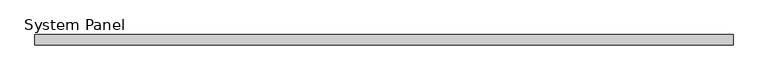
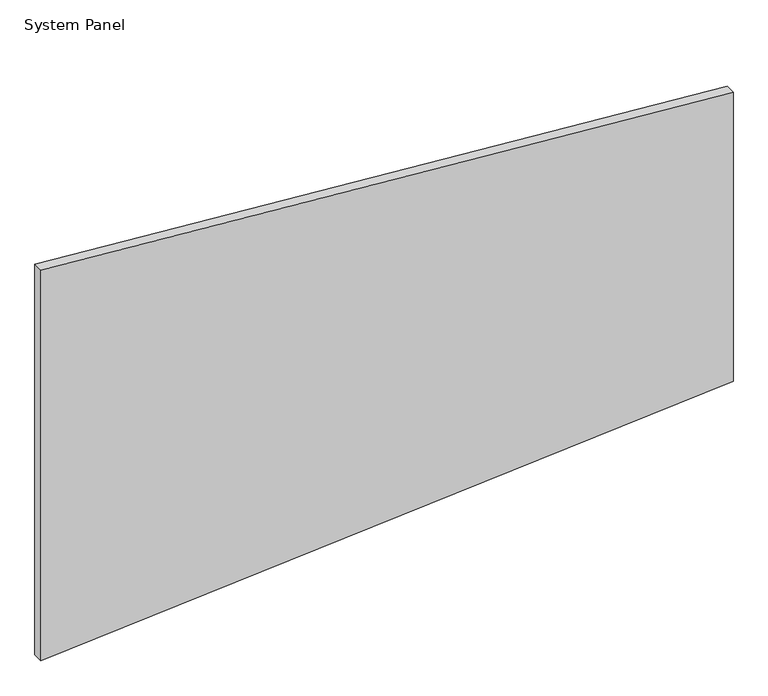
"""IFC4 building model written with IfcOpenShell, lengths in millimetres: plate geometry, System Panel."""

from ifc_helpers import new_model, si_unit, frame, origin, place, context, project, spatial, polyline, outline, extrude, source, transform, mapped, element, save


def system_panel_473b21dc(model_context):
    return source(origin(), model_context, "Body", "SweptSolid", [
        extrude(outline(polyline([(0.0, -660.9815752), (100.8955476, 660.9815752), (685.2975708, 660.9815752), (788.5029934, -660.9815752), (0.0, -660.9815752)])), frame((0.0, -10.0, 0.0), z_axis=(0.0, 1.0, 0.0), x_axis=(0.0, 0.0, 1.0)), (0.0, 0.0, 1.0), 20.0),
    ])


if __name__ == "__main__":
    model = new_model("IFC4")
    model_context = context("Model", 3, world=origin())
    ifc_project = project(units=[si_unit("LENGTHUNIT", "METRE", prefix="MILLI")], contexts=[model_context])
    site = spatial("IfcSite", under=ifc_project)
    building = spatial("IfcBuilding", under=site)
    placement = place(None, origin())
    system_panel_shape = system_panel_473b21dc(model_context)
    element("IfcPlate", 1, ObjectType="System Panel", at=placement, inside=building, context=model_context, shape_type="MappedRepresentation", body=[
        mapped(system_panel_shape, transform((0.0, 0.0, 0.0), x_axis=(1.0, 0.0, 0.0), y_axis=(0.0, 1.0, 0.0), z_axis=(0.0, 0.0, 1.0))),
    ])
    save(model, "model.ifc")
